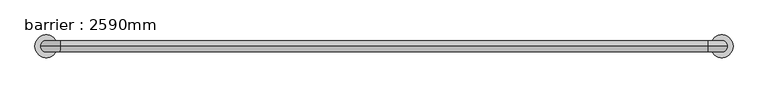
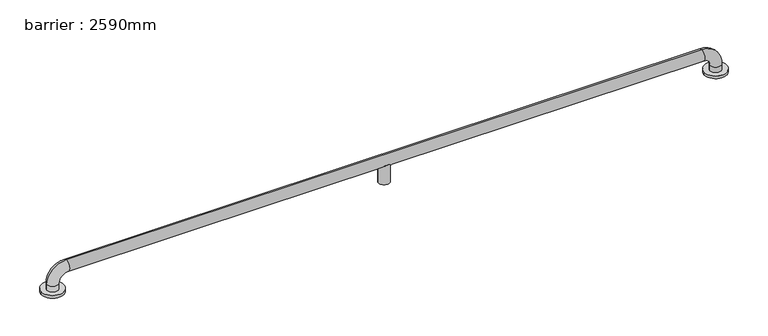
"""IFC4 building model written with IfcOpenShell, lengths in millimetres: geographic element geometry, barrier : 2590mm."""

from ifc_helpers import new_model, si_unit, point, frame, origin, place, context, project, spatial, circle_curve, ellipse_curve, trimmed, source, transform, mapped, element, save
from ifc_brep_helpers import plane_surface, cylinder_surface, revolved_surface, advanced_brep


def barrier_2590mm_95ccb103(model_context):
    return source(origin(), model_context, "Body", "AdvancedBrep", [
        advanced_brep(
        [(-472.6748022, 0.0, 0.0), (-392.6748022, 0.0, 0.0), (1908.6558199, 0.0, 0.0), (1988.6558199, 0.0, 0.0), (-412.6748022, 0.0, 30.0), (-452.6748022, 0.0, 30.0), (-452.6748022, 0.0, 10.0), (-412.6748022, 0.0, 10.0), (-382.6748022, 0.0, 60.0), (-382.6748022, 0.0, 100.0), (737.9905089, 0.0, 60.0), (749.2967977, -18.0116458, 71.3062888), (766.6842201, -18.0116458, 71.3062888), (777.9905089, 0.0, 60.0), (1898.6558199, 0.0, 60.0), (1898.6558199, 0.0, 100.0), (766.6842201, 18.0116458, 71.3062888), (749.2967977, 18.0116458, 71.3062888), (1928.6558199, 0.0, 30.0), (1968.6558199, 0.0, 30.0), (1928.6558199, 0.0, 10.0), (1968.6558199, 0.0, 10.0), (737.9905089, 0.0, 0.0), (777.9905089, 0.0, 0.0), (-472.6748022, 0.0, 10.0), (-392.6748022, 0.0, 10.0), (1908.6558199, 0.0, 10.0), (1988.6558199, 0.0, 10.0)],
        [
            (0, 1, circle_curve(frame((-432.6748022, 0.0, 0.0), z_axis=(0.0, 0.0, -1.0), x_axis=(1.0, 0.0, 0.0)), 40.0)),
            (1, 0, circle_curve(frame((-432.6748022, 0.0, 0.0), z_axis=(0.0, 0.0, -1.0), x_axis=(1.0, 0.0, 0.0)), 40.0)),
            (2, 3, circle_curve(frame((1948.6558199, 0.0, 0.0), z_axis=(0.0, 0.0, -1.0), x_axis=(1.0, 0.0, 0.0)), 40.0)),
            (3, 2, circle_curve(frame((1948.6558199, 0.0, 0.0), z_axis=(0.0, 0.0, -1.0), x_axis=(1.0, 0.0, 0.0)), 40.0)),
            (4, 5, circle_curve(frame((-432.6748022, 0.0, 30.0), z_axis=(0.0, 0.0, -1.0), x_axis=(-1.0, 0.0, 0.0)), 20.0)),
            (5, 6),
            (6, 7, circle_curve(frame((-432.6748022, 0.0, 10.0), z_axis=(0.0, 0.0, 1.0), x_axis=(-1.0, 0.0, 0.0)), 20.0)),
            (7, 4),
            (5, 4, circle_curve(frame((-432.6748022, 0.0, 30.0), z_axis=(0.0, 0.0, -1.0), x_axis=(-1.0, 0.0, 0.0)), 20.0)),
            (7, 6, circle_curve(frame((-432.6748022, 0.0, 10.0), z_axis=(0.0, 0.0, 1.0), x_axis=(-1.0, 0.0, 0.0)), 20.0)),
            (4, 8, circle_curve(frame((-382.6748022, 0.0, 30.0), z_axis=(0.0, 1.0, 0.0), x_axis=(-1.0, 0.0, 0.0)), 30.0)),
            (8, 9, circle_curve(frame((-382.6748022, 0.0, 80.0), z_axis=(-1.0, 0.0, 0.0), x_axis=(0.0, 0.0, 1.0)), 20.0)),
            (9, 5, circle_curve(frame((-382.6748022, 0.0, 30.0), z_axis=(0.0, -1.0, 0.0), x_axis=(-1.0, 0.0, 0.0)), 70.0)),
            (9, 8, circle_curve(frame((-382.6748022, 0.0, 80.0), z_axis=(-1.0, 0.0, 0.0), x_axis=(0.0, 0.0, 1.0)), 20.0)),
            (8, 10),
            (10, 11, ellipse_curve(frame((757.9905089, 0.0, 80.0), z_axis=(-0.7071067811865475, 0.0, 0.7071067811865475), x_axis=(-0.7071067811865476, 0.0, -0.7071067811865474)), 28.2842712, 20.0)),
            (11, 12),
            (12, 13, ellipse_curve(frame((757.9905089, 0.0, 80.0), z_axis=(0.7071067811865475, 0.0, 0.7071067811865475), x_axis=(-0.7071067811865476, 0.0, 0.7071067811865474)), 28.2842712, 20.0)),
            (13, 14),
            (14, 15, circle_curve(frame((1898.6558199, 0.0, 80.0), z_axis=(-1.0, 0.0, 0.0), x_axis=(0.0, 0.0, 1.0)), 20.0)),
            (15, 9),
            (15, 14, circle_curve(frame((1898.6558199, 0.0, 80.0), z_axis=(-1.0, 0.0, 0.0), x_axis=(0.0, 0.0, 1.0)), 20.0)),
            (13, 16, ellipse_curve(frame((757.9905089, 0.0, 80.0), z_axis=(0.7071067811865475, 0.0, 0.7071067811865475), x_axis=(-0.7071067811865476, 0.0, 0.7071067811865474)), 28.2842712, 20.0)),
            (16, 17),
            (17, 10, ellipse_curve(frame((757.9905089, 0.0, 80.0), z_axis=(-0.7071067811865475, 0.0, 0.7071067811865475), x_axis=(-0.7071067811865476, 0.0, -0.7071067811865474)), 28.2842712, 20.0)),
            (14, 18, circle_curve(frame((1898.6558199, 0.0, 30.0), z_axis=(0.0, 1.0, 0.0), x_axis=(0.0, 0.0, 1.0)), 30.0)),
            (18, 19, circle_curve(frame((1948.6558199, 0.0, 30.0), z_axis=(0.0, 0.0, 1.0), x_axis=(1.0, 0.0, 0.0)), 20.0)),
            (19, 15, circle_curve(frame((1898.6558199, 0.0, 30.0), z_axis=(0.0, -1.0, 0.0), x_axis=(0.0, 0.0, 1.0)), 70.0)),
            (19, 18, circle_curve(frame((1948.6558199, 0.0, 30.0), z_axis=(0.0, 0.0, 1.0), x_axis=(1.0, 0.0, 0.0)), 20.0)),
            (18, 20),
            (20, 21, circle_curve(frame((1948.6558199, 0.0, 10.0), z_axis=(0.0, 0.0, 1.0), x_axis=(1.0, 0.0, 0.0)), 20.0)),
            (21, 19),
            (21, 20, circle_curve(frame((1948.6558199, 0.0, 10.0), z_axis=(0.0, 0.0, 1.0), x_axis=(1.0, 0.0, 0.0)), 20.0)),
            (22, 23, circle_curve(frame((757.9905089, 0.0, 0.0), z_axis=(0.0, 0.0, -1.0), x_axis=(1.0, 0.0, 0.0)), 20.0)),
            (23, 22, circle_curve(frame((757.9905089, 0.0, 0.0), z_axis=(0.0, 0.0, -1.0), x_axis=(1.0, 0.0, 0.0)), 20.0)),
            (23, 13),
            (12, 11, circle_curve(frame((757.9905089, 0.0, 71.3062888), z_axis=(0.0, 0.0, -1.0), x_axis=(1.0, 0.0, 0.0)), 20.0)),
            (10, 22),
            (17, 16, circle_curve(frame((757.9905089, 0.0, 71.3062888), z_axis=(0.0, 0.0, -1.0), x_axis=(1.0, 0.0, 0.0)), 20.0)),
            (24, 25, circle_curve(frame((-432.6748022, 0.0, 10.0), z_axis=(0.0, 0.0, 1.0), x_axis=(1.0, 0.0, 0.0)), 40.0)),
            (25, 24, circle_curve(frame((-432.6748022, 0.0, 10.0), z_axis=(0.0, 0.0, 1.0), x_axis=(1.0, 0.0, 0.0)), 40.0)),
            (26, 27, circle_curve(frame((1948.6558199, 0.0, 10.0), z_axis=(0.0, 0.0, 1.0), x_axis=(1.0, 0.0, 0.0)), 40.0)),
            (27, 26, circle_curve(frame((1948.6558199, 0.0, 10.0), z_axis=(0.0, 0.0, 1.0), x_axis=(1.0, 0.0, 0.0)), 40.0)),
            (24, 0),
            (1, 25),
            (26, 2),
            (3, 27),
        ],
        [
            plane_surface(frame((-432.6748022, -20.0, 0.0), z_axis=(0.0, 0.0, -1.0), x_axis=(1.0, 0.0, 0.0))),
            cylinder_surface(frame((-432.6748022, 0.0, 0.0), z_axis=(0.0, 0.0, -1.0), x_axis=(-1.0, 0.0, 0.0)), 20.0),
            revolved_surface(trimmed(ellipse_curve(frame((-432.6748022, 0.0, 30.0), z_axis=(0.0, 0.0, -1.0), x_axis=(-1.0, 0.0, 0.0)), 20.0, 20.0), [point((-412.6748022, 0.0, 30.0))], [point((-452.6748022, 0.0, 30.0))], True, "CARTESIAN"), (-382.6748022, 0.0, 30.0), (0.0, 1.0, 0.0)),
            revolved_surface(trimmed(ellipse_curve(frame((-432.6748022, 0.0, 30.0), z_axis=(0.0, 0.0, -1.0), x_axis=(-1.0, 0.0, 0.0)), 20.0, 20.0), [point((-452.6748022, 0.0, 30.0))], [point((-412.6748022, 0.0, 30.0))], True, "CARTESIAN"), (-382.6748022, 0.0, 30.0), (0.0, 1.0, 0.0)),
            cylinder_surface(frame((-382.6748022, 0.0, 80.0), z_axis=(-1.0, 0.0, 0.0), x_axis=(0.0, 0.0, 1.0)), 20.0),
            revolved_surface(trimmed(ellipse_curve(frame((1898.6558199, 0.0, 80.0), z_axis=(-1.0, 0.0, 0.0), x_axis=(0.0, 0.0, 1.0)), 20.0, 20.0), [point((1898.6558199, 0.0, 60.0))], [point((1898.6558199, 0.0, 100.0))], True, "CARTESIAN"), (1898.6558199, 0.0, 30.0), (0.0, 1.0, 0.0)),
            revolved_surface(trimmed(ellipse_curve(frame((1898.6558199, 0.0, 80.0), z_axis=(-1.0, 0.0, 0.0), x_axis=(0.0, 0.0, 1.0)), 20.0, 20.0), [point((1898.6558199, 0.0, 100.0))], [point((1898.6558199, 0.0, 60.0))], True, "CARTESIAN"), (1898.6558199, 0.0, 30.0), (0.0, 1.0, 0.0)),
            cylinder_surface(frame((1948.6558199, 0.0, 30.0), z_axis=(0.0, 0.0, 1.0), x_axis=(1.0, 0.0, 0.0)), 20.0),
            plane_surface(frame((777.9905089, 0.0, 0.0), z_axis=(0.0, 0.0, -1.0), x_axis=(0.0, -1.0, 0.0))),
            cylinder_surface(frame((757.9905089, 0.0, 0.0), z_axis=(0.0, 0.0, 1.0), x_axis=(1.0, 0.0, 0.0)), 20.0),
            plane_surface(frame((-392.6748022, 0.0, 10.0), z_axis=(0.0, 0.0, 1.0), x_axis=(0.0, 1.0, 0.0))),
            cylinder_surface(frame((-432.6748022, 0.0, 0.0), z_axis=(0.0, 0.0, 1.0), x_axis=(1.0, 0.0, 0.0)), 40.0),
            cylinder_surface(frame((1948.6558199, 0.0, 0.0), z_axis=(0.0, 0.0, 1.0), x_axis=(1.0, 0.0, 0.0)), 40.0),
            plane_surface(frame((777.9905089, 0.0, 71.3062888), z_axis=(0.0, 0.0, 1.0), x_axis=(0.0, 1.0, 0.0))),
        ],
        [
            (0, [[1, 2]]),
            (0, [[3, 4]]),
            (1, [[5, 6, 7, 8]]),
            (1, [[9, -8, 10, -6]]),
            (2, [[-5, 11, 12, 13]]),
            (3, [[-9, -13, 14, -11]]),
            (4, [[-12, 15, 16, 17, 18, 19, 20, 21]]),
            (4, [[-14, -21, 22, -19, 23, 24, 25, -15]]),
            (5, [[-20, 26, 27, 28]]),
            (6, [[-22, -28, 29, -26]]),
            (7, [[-27, 30, 31, 32]]),
            (7, [[-29, -32, 33, -30]]),
            (8, [[34, 35]]),
            (9, [[-35, 36, -18, 37, -16, 38]]),
            (9, [[-34, -38, -25, 39, -23, -36]]),
            (10, [[40, 41], [-7, -10]]),
            (10, [[42, 43], [-31, -33]]),
            (11, [[-40, 44, -2, 45]]),
            (11, [[-41, -45, -1, -44]]),
            (12, [[-42, 46, -4, 47]]),
            (12, [[-43, -47, -3, -46]]),
            (13, [[-37, -17]]),
            (13, [[-39, -24]]),
        ],
    ),
    ])


if __name__ == "__main__":
    model = new_model("IFC4")
    model_context = context("Model", 3, world=origin())
    ifc_project = project(units=[si_unit("LENGTHUNIT", "METRE", prefix="MILLI")], contexts=[model_context])
    site = spatial("IfcSite", under=ifc_project)
    building = spatial("IfcBuilding", under=site)
    placement = place(None, origin())
    barrier_2590mm_shape = barrier_2590mm_95ccb103(model_context)
    element("IfcGeographicElement", 1, ObjectType="barrier : 2590mm", at=placement, inside=building, context=model_context, shape_type="MappedRepresentation", body=[
        mapped(barrier_2590mm_shape, transform((0.0, 0.0, 0.0), x_axis=(1.0, 0.0, 0.0), y_axis=(0.0, 1.0, 0.0), z_axis=(0.0, 0.0, 1.0))),
    ])
    save(model, "model.ifc")
